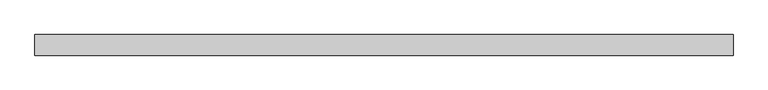
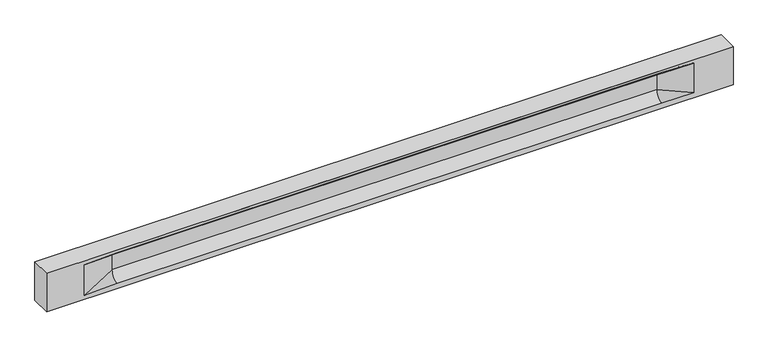
"""IFC4 building model written with IfcOpenShell, lengths in millimetres: beam geometry."""

from ifc_helpers import new_model, si_unit, frame, origin, place, context, project, spatial, polyline, circle_curve, source, transform, mapped, element, save
from ifc_brep_helpers import plane_surface, revolved_surface, spline_surface, advanced_brep


def beam_e3d660fb(model_context):
    return source(origin(), model_context, "Body", "AdvancedBrep", [
        advanced_brep(
        [(8471.0, -250.0, 500.0), (8471.0, -250.0, -500.0), (8471.0, 250.0, -500.0), (8471.0, 250.0, 500.0), (-8471.0, -250.0, 500.0), (-8471.0, -250.0, -500.0), (7496.0, -250.0, -362.0), (6696.0, -250.0, -360.0), (-6741.0, -250.0, -360.0), (-7541.0, -250.0, -400.0), (-7541.0, -250.0, 400.0), (-6741.0, -250.0, 435.0), (6696.0, -250.0, 435.0), (7496.0, -250.0, 400.0), (-8471.0, 250.0, -500.0), (-8471.0, 250.0, 500.0), (7496.0, 250.0, 400.0), (6696.0, 250.0, 435.0), (-6741.0, 250.0, 435.0), (-7541.0, 250.0, 400.0), (-7541.0, 250.0, -400.0), (-6741.0, 250.0, -360.0), (6696.0, 250.0, -360.0), (7496.0, 250.0, -362.0), (6696.0, 155.0, 405.0), (-6741.0, 155.0, 405.0), (6696.0, 60.0, 262.777021), (-6741.0, 60.0, 262.777021), (6696.0, 60.0, -120.0), (-6741.0, 60.0, -120.0), (6696.0, -60.0, -120.0), (-6741.0, -60.0, -120.0), (6696.0, -60.0, 262.777021), (-6741.0, -60.0, 262.777021), (6696.0, -155.0, 405.0), (-6741.0, -155.0, 405.0)],
        [
            (0, 1),
            (1, 2),
            (2, 3),
            (3, 0),
            (0, 4),
            (4, 5),
            (5, 1),
            (6, 7),
            (7, 8),
            (8, 9),
            (9, 10),
            (10, 11),
            (11, 12),
            (12, 13),
            (13, 6),
            (5, 14),
            (14, 2),
            (14, 15),
            (15, 3),
            (16, 17),
            (17, 18),
            (18, 19),
            (19, 20),
            (20, 21),
            (21, 22),
            (22, 23),
            (23, 16),
            (15, 4),
            (17, 24),
            (24, 25),
            (25, 18),
            (24, 26, circle_curve(frame((6696.0, 213.9598725, 262.777021), z_axis=(1.0, 0.0, 0.0), x_axis=(0.0, 1.0, 0.0)), 153.9598725)),
            (26, 27),
            (27, 25, circle_curve(frame((-6741.0, 213.9598725, 262.777021), z_axis=(-1.0, 0.0, 0.0), x_axis=(0.0, 1.0, 0.0)), 153.9598725)),
            (26, 28),
            (28, 29),
            (29, 27),
            (28, 22, circle_curve(frame((6696.0, 306.5789474, -120.0), z_axis=(1.0, 0.0, 0.0), x_axis=(0.0, 1.0, 0.0)), 246.5789474)),
            (21, 29, circle_curve(frame((-6741.0, 306.5789474, -120.0), z_axis=(-1.0, 0.0, 0.0), x_axis=(0.0, 1.0, 0.0)), 246.5789474)),
            (7, 30, circle_curve(frame((6696.0, -306.5789474, -120.0), z_axis=(1.0, 0.0, 0.0), x_axis=(0.0, 1.0, 0.0)), 246.5789474)),
            (30, 31),
            (31, 8, circle_curve(frame((-6741.0, -306.5789474, -120.0), z_axis=(-1.0, 0.0, 0.0), x_axis=(0.0, 1.0, 0.0)), 246.5789474)),
            (30, 32),
            (32, 33),
            (33, 31),
            (32, 34, circle_curve(frame((6696.0, -213.9598725, 262.777021), z_axis=(1.0, 0.0, 0.0), x_axis=(0.0, 1.0, 0.0)), 153.9598725)),
            (34, 35),
            (35, 33, circle_curve(frame((-6741.0, -213.9598725, 262.777021), z_axis=(-1.0, 0.0, 0.0), x_axis=(0.0, 1.0, 0.0)), 153.9598725)),
            (34, 12),
            (11, 35),
            (27, 19),
            (19, 25),
            (10, 35),
            (10, 33),
            (9, 31),
            (20, 29),
            (34, 13),
            (32, 13),
            (30, 6),
            (28, 23),
            (26, 16),
            (24, 16),
        ],
        [
            plane_surface(frame((8471.0, 0.0, 0.0), z_axis=(1.0, 0.0, 0.0), x_axis=(0.0, 0.0, 1.0))),
            plane_surface(frame((8471.0, -250.0, 500.0), z_axis=(0.0, -1.0, 0.0), x_axis=(-1.0, 0.0, 0.0))),
            plane_surface(frame((8471.0, -250.0, -500.0), z_axis=(0.0, 0.0, -1.0), x_axis=(-1.0, 0.0, 0.0))),
            plane_surface(frame((8471.0, 250.0, -500.0), z_axis=(0.0, 1.0, 0.0), x_axis=(-1.0, 0.0, 0.0))),
            plane_surface(frame((8471.0, 250.0, 500.0), z_axis=(0.0, 0.0, 1.0), x_axis=(-1.0, 0.0, 0.0))),
            plane_surface(frame((-6741.0, 250.0, 435.0), z_axis=(0.0, 0.30113136793710954, -0.9535826651341378), x_axis=(1.0, 0.0, 0.0))),
            revolved_surface(polyline([(6696.0, 367.919745, 262.777021), (-6741.0, 367.919745, 262.777021)]), (-6741.0, 213.9598725, 262.777021), (1.0, 0.0, 0.0)),
            plane_surface(frame((-6741.0, 60.0, 262.777021), z_axis=(0.0, 1.0, 0.0), x_axis=(1.0, 0.0, 0.0))),
            revolved_surface(polyline([(6696.0, 553.1578948, -120.0), (-6741.0, 553.1578948, -120.0)]), (-6741.0, 306.5789474, -120.0), (1.0, 0.0, 0.0)),
            revolved_surface(polyline([(6696.0, -60.0, -120.0), (-6741.0, -60.0, -120.0)]), (-6741.0, -306.5789474, -120.0), (1.0, 0.0, 0.0)),
            plane_surface(frame((-6741.0, -60.0, -120.0), z_axis=(0.0, -1.0, 0.0), x_axis=(1.0, 0.0, 0.0))),
            revolved_surface(polyline([(6696.0, -60.0, 262.777021), (-6741.0, -60.0, 262.777021)]), (-6741.0, -213.9598725, 262.777021), (1.0, 0.0, 0.0)),
            plane_surface(frame((-6741.0, -155.0, 405.0), z_axis=(0.0, -0.30113136793710693, -0.9535826651341387), x_axis=(1.0, 0.0, 0.0))),
            spline_surface(2, 1, [[(-7541.0, 250.0, 400.0), (-6741.0, 60.0, 262.777021)], [(-7541.0, 250.0, 400.0), (-6741.0, 59.99999995452379, 365.6168572954922)], [(-7541.0, 250.0, 400.0), (-6741.0, 155.0, 405.0)]], [3, 3], [2, 2], [0.0, 1.0], [0.0, 1.0], weights=[[1.0, 1.0], [0.8315515921160737, 0.8315515921160737], [1.0, 1.0]]),
            plane_surface(frame((-7541.0, 250.0, 400.0), z_axis=(0.041682982855687487, 0.30086965068766386, -0.9527538938442265), x_axis=(0.0, 0.9535826651341378, 0.30113136793710954))),
            plane_surface(frame((-7541.0, -250.0, 400.0), z_axis=(0.041682982855687514, -0.30086965068766125, -0.9527538938442274), x_axis=(0.0, 0.9535826651341387, -0.30113136793710693))),
            spline_surface(2, 1, [[(-7541.0, -250.0, 400.0), (-6741.0, -155.0, 405.0)], [(-7541.0, -250.0, 400.0), (-6741.0, -60.00000008030692, 365.6168572114734)], [(-7541.0, -250.0, 400.0), (-6741.0, -60.0, 262.777021)]], [3, 3], [2, 2], [0.0, 1.0], [0.0, 1.0], weights=[[1.0, 1.0], [0.8315515924557569, 0.8315515924557569], [1.0, 1.0]]),
            plane_surface(frame((-7541.0, -250.0, 0.0), z_axis=(0.23107243079589818, -0.97293655071956, 0.0), x_axis=(0.0, 0.0, -1.0))),
            spline_surface(2, 1, [[(-7541.0, -250.0, -400.0), (-6741.0, -60.0, -120.0)], [(-7541.0, -250.0, -400.0), (-6741.0, -59.99999998020837, -315.20833333333337)], [(-7541.0, -250.0, -400.0), (-6741.0, -250.0, -360.0)]], [3, 3], [2, 2], [0.0, 1.0], [0.0, 1.0], weights=[[1.0, 1.0], [0.7840458244617614, 0.7840458244617614], [1.0, 1.0]]),
            spline_surface(2, 1, [[(-7541.0, 250.0, -400.0), (-6741.0, 250.0, -360.0)], [(-7541.0, 250.0, -400.0), (-6741.0, 60.00000002887427, -315.20833329480604)], [(-7541.0, 250.0, -400.0), (-6741.0, 60.0, -120.0)]], [3, 3], [2, 2], [0.0, 1.0], [0.0, 1.0], weights=[[1.0, 1.0], [0.7840458245391329, 0.7840458245391329], [1.0, 1.0]]),
            plane_surface(frame((-7541.0, 250.0, 0.0), z_axis=(0.23107243079589385, 0.972936550719561, 0.0), x_axis=(0.0, 0.0, 1.0))),
            plane_surface(frame((-8471.0, 0.0, 0.0), z_axis=(-1.0, 0.0, 0.0), x_axis=(0.0, 0.0, 1.0))),
            plane_surface(frame((6696.0, -202.5, 420.0), z_axis=(-0.04168298285568735, -0.30086965068766125, -0.9527538938442274), x_axis=(0.0, 0.9535826651341387, -0.30113136793710693))),
            spline_surface(2, 1, [[(6696.0, -155.0, 405.0), (7496.0, -250.0, 400.0)], [(6696.0, -60.00000008030692, 365.6168572114734), (7496.0, -250.0, 400.0)], [(6696.0, -60.0, 262.777021), (7496.0, -250.0, 400.0)]], [3, 3], [2, 2], [0.0, 1.0], [0.0, 1.0], weights=[[1.0, 1.0], [0.8315515924557569, 0.8315515924557569], [1.0, 1.0]]),
            plane_surface(frame((6696.0, -60.0, 71.3885105), z_axis=(-0.23107243079589673, -0.9729365507195603, 0.0), x_axis=(0.0, 0.0, -1.0))),
            spline_surface(2, 1, [[(6696.0, -60.0, -120.0), (7496.0, -250.0, -362.0)], [(6696.0, -59.99999998020837, -315.20833333333337), (7496.0, -250.0, -362.0)], [(6696.0, -250.0, -360.0), (7496.0, -250.0, -362.0)]], [3, 3], [2, 2], [0.0, 1.0], [0.0, 1.0], weights=[[1.0, 1.0], [0.7840458244617614, 0.7840458244617614], [1.0, 1.0]]),
            spline_surface(2, 1, [[(6696.0, 250.0, -360.0), (7496.0, 250.0, -362.0)], [(6696.0, 60.00000002887427, -315.20833329480604), (7496.0, 250.0, -362.0)], [(6696.0, 60.0, -120.0), (7496.0, 250.0, -362.0)]], [3, 3], [2, 2], [0.0, 1.0], [0.0, 1.0], weights=[[1.0, 1.0], [0.7840458245391329, 0.7840458245391329], [1.0, 1.0]]),
            plane_surface(frame((6696.0, 60.0, 71.3885105), z_axis=(-0.23107243079589032, 0.9729365507195619, 0.0), x_axis=(0.0, 0.0, 1.0))),
            spline_surface(2, 1, [[(6696.0, 60.0, 262.777021), (7496.0, 250.0, 400.0)], [(6696.0, 59.99999995452379, 365.6168572954922), (7496.0, 250.0, 400.0)], [(6696.0, 155.0, 405.0), (7496.0, 250.0, 400.0)]], [3, 3], [2, 2], [0.0, 1.0], [0.0, 1.0], weights=[[1.0, 1.0], [0.8315515921160737, 0.8315515921160737], [1.0, 1.0]]),
            plane_surface(frame((6696.0, 202.5, 420.0), z_axis=(-0.041682982855686605, 0.30086965068766386, -0.9527538938442265), x_axis=(0.0, 0.9535826651341378, 0.30113136793710954))),
        ],
        [
            (0, [[1, 2, 3, 4]]),
            (1, [[-1, 5, 6, 7], [8, 9, 10, 11, 12, 13, 14, 15]]),
            (2, [[-2, -7, 16, 17]]),
            (3, [[-3, -17, 18, 19], [20, 21, 22, 23, 24, 25, 26, 27]]),
            (4, [[-5, -4, -19, 28]]),
            (5, [[-21, 29, 30, 31]]),
            (6, [[-30, 32, 33, 34]]),
            (7, [[-33, 35, 36, 37]]),
            (8, [[-36, 38, -25, 39]]),
            (9, [[-9, 40, 41, 42]]),
            (10, [[-41, 43, 44, 45]]),
            (11, [[-44, 46, 47, 48]]),
            (12, [[-47, 49, -13, 50]]),
            (13, [[51, 52, -34]]),
            (14, [[-52, -22, -31]]),
            (15, [[-12, 53, -50]]),
            (16, [[-53, 54, -48]]),
            (17, [[-54, -11, 55, -45]]),
            (18, [[-55, -10, -42]]),
            (19, [[-24, 56, -39]]),
            (20, [[-51, -37, -56, -23]]),
            (21, [[-28, -18, -16, -6]]),
            (22, [[-14, -49, 57]]),
            (23, [[-57, -46, 58]]),
            (24, [[-58, -43, 59, -15]]),
            (25, [[-59, -40, -8]]),
            (26, [[-26, -38, 60]]),
            (27, [[-60, -35, 61, -27]]),
            (28, [[-61, -32, 62]]),
            (29, [[-62, -29, -20]]),
        ],
    ),
    ])


if __name__ == "__main__":
    model = new_model("IFC4")
    model_context = context("Model", 3, world=origin())
    ifc_project = project(units=[si_unit("LENGTHUNIT", "METRE", prefix="MILLI")], contexts=[model_context])
    site = spatial("IfcSite", under=ifc_project)
    building = spatial("IfcBuilding", under=site)
    placement = place(None, origin())
    beam_shape = beam_e3d660fb(model_context)
    element("IfcBeam", 1, at=placement, inside=building, context=model_context, shape_type="MappedRepresentation", body=[
        mapped(beam_shape, transform((0.0, 0.0, 0.0), x_axis=(1.0, 0.0, 0.0), y_axis=(0.0, 1.0, 0.0), z_axis=(0.0, 0.0, 1.0))),
    ])
    save(model, "model.ifc")
